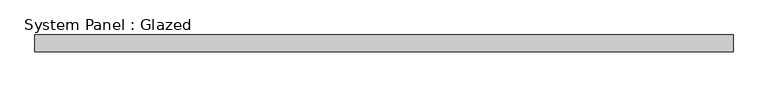
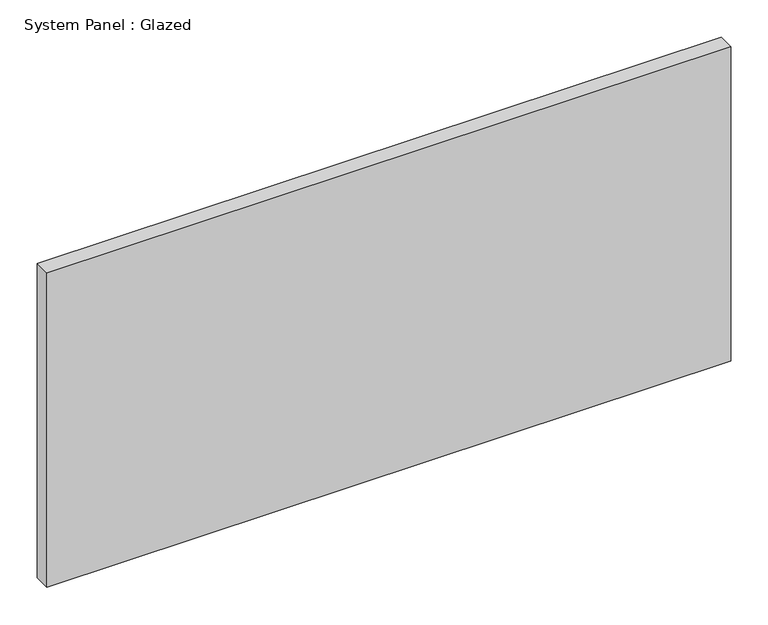
"""IFC4 building model written with IfcOpenShell, lengths in millimetres: plate geometry, System Panel : Glazed."""

from ifc_helpers import new_model, si_unit, origin, origin_with_axes, place, context, project, spatial, polyline, outline, extrude, source, transform, mapped, element, save


def system_panel_glazed_10a6695d(model_context):
    return source(origin(), model_context, "Body", "SweptSolid", [
        extrude(outline(polyline([(528.6375, -44.45), (-528.6375, -44.45), (-528.6375, -19.05), (528.6375, -19.05), (528.6375, -44.45)])), origin_with_axes(), (0.0, 0.0, 1.0), 514.35),
    ])


if __name__ == "__main__":
    model = new_model("IFC4")
    model_context = context("Model", 3, world=origin())
    ifc_project = project(units=[si_unit("LENGTHUNIT", "METRE", prefix="MILLI")], contexts=[model_context])
    site = spatial("IfcSite", under=ifc_project)
    building = spatial("IfcBuilding", under=site)
    placement = place(None, origin())
    system_panel_glazed_shape = system_panel_glazed_10a6695d(model_context)
    element("IfcPlate", 1, ObjectType="System Panel : Glazed", at=placement, inside=building, context=model_context, shape_type="MappedRepresentation", body=[
        mapped(system_panel_glazed_shape, transform((0.0, 0.0, 0.0), x_axis=(1.0, 0.0, 0.0), y_axis=(0.0, 1.0, 0.0), z_axis=(0.0, 0.0, 1.0))),
    ])
    save(model, "model.ifc")
